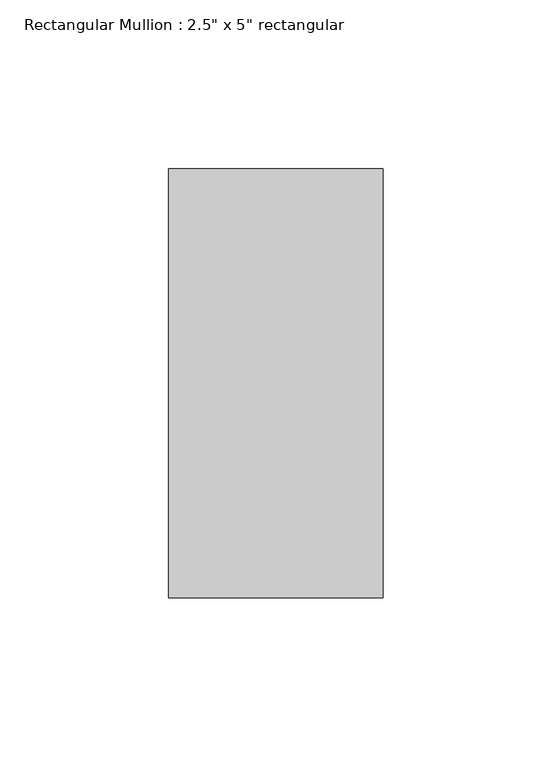
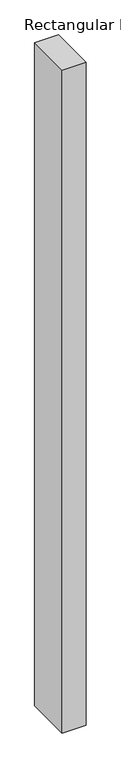
"""IFC4 building model written with IfcOpenShell, lengths in millimetres: member geometry."""

import ifcopenshell
import ifcopenshell.guid

model = None  # the IFC model being written
_history = None  # IfcOwnerHistory: only IFC2X3 demands one
_inside = {}  # id of a spatial element -> (the spatial element, [elements in it])
_under = {}  # id of a project, library or spatial element -> (it, [spatial elements below it])
_declared = {}  # id of a project -> (the project, [libraries it declares])
_typed = {}  # id of a type object -> (the type object, [elements of that type])
_made_of = {}  # id of a material, layer set ... -> (it, [elements and type objects made of it])


def new_model(schema):
    """Start an empty IFC model of exactly this schema.

    Asked for "IFC4X3", IfcOpenShell would pick the latest addendum, in which some entities
    have other attributes; the version numbers below select the first issue.
    IFC2X3 requires an IfcOwnerHistory on every rooted entity: one is made here for all.
    """
    global model, _history
    if schema == "IFC4X3":
        model = ifcopenshell.file(schema_version=(4, 3, 0, 0))
    else:
        model = ifcopenshell.file(schema=schema)
    _inside.clear()
    _under.clear()
    _declared.clear()
    _typed.clear()
    _made_of.clear()
    _history = None
    if model.schema == "IFC2X3":
        org = make("IfcOrganization", Name="unknown")
        user = make(
            "IfcPersonAndOrganization",
            ThePerson=make("IfcPerson", FamilyName="unknown"),
            TheOrganization=org,
        )
        app = make(
            "IfcApplication",
            ApplicationDeveloper=org,
            Version="unknown",
            ApplicationFullName="unknown",
            ApplicationIdentifier="unknown",
        )
        _history = make(
            "IfcOwnerHistory",
            OwningUser=user,
            OwningApplication=app,
            ChangeAction="ADDED",
            CreationDate=0,
        )
    return model


def make(cls, **values):
    """One entity of the class cls with the attributes given. An attribute that is None is left unset."""
    return model.create_entity(
        cls, **{name: value for name, value in values.items() if value is not None}
    )


def rooted(cls, **values):
    """An entity with a GlobalId (a new one), such as an element, a storey or a relation."""
    return make(cls, GlobalId=ifcopenshell.guid.new(), OwnerHistory=_history, **values)


def si_unit(unit_type, name, prefix=None):
    """IfcSIUnit, for example si_unit("LENGTHUNIT", "METRE", prefix="MILLI")."""
    return make("IfcSIUnit", UnitType=unit_type, Prefix=prefix, Name=name)


def assignment(units):
    """IfcUnitAssignment: the units of a project."""
    return None if units is None else make("IfcUnitAssignment", Units=units)


def point(xyz):
    """IfcCartesianPoint."""
    return None if xyz is None else make("IfcCartesianPoint", Coordinates=xyz)


def direction(xyz):
    """IfcDirection."""
    return None if xyz is None else make("IfcDirection", DirectionRatios=xyz)


def frame(location, z_axis=None, x_axis=None):
    """IfcAxis2Placement3D, a coordinate frame: its origin and axes. An axis left out is left unset."""
    return make(
        "IfcAxis2Placement3D",
        Location=point(location),
        Axis=direction(z_axis),
        RefDirection=direction(x_axis),
    )


def origin():
    """The frame at (0, 0, 0) with its axes left unset."""
    return frame((0.0, 0.0, 0.0))


def place(relative_to, where):
    """IfcLocalPlacement: puts the frame where relative to a parent placement (None: the world)."""
    return make(
        "IfcLocalPlacement", PlacementRelTo=relative_to, RelativePlacement=where
    )


def context(
    kind, dimensions, precision=None, world=None, true_north=None, identifier=None
):
    """IfcGeometricRepresentationContext, for example the 3D "Model" context."""
    return make(
        "IfcGeometricRepresentationContext",
        ContextIdentifier=identifier,
        ContextType=kind,
        CoordinateSpaceDimension=dimensions,
        Precision=precision,
        WorldCoordinateSystem=world,
        TrueNorth=true_north,
    )


def project(units=None, contexts=None):
    """IfcProject with its units and contexts."""
    return rooted(
        "IfcProject",
        Name="project",
        RepresentationContexts=contexts,
        UnitsInContext=assignment(units),
    )


def spatial(cls, under=None, at=None, **own):
    """A site, building, storey or space (cls), placed at a placement, below another one or the project."""
    s = rooted(cls, ObjectPlacement=at, **own)
    if under is not None:
        _under.setdefault(under.id(), (under, []))[1].append(s)
    return s


def polyline(points):
    """IfcPolyline through the points."""
    return make("IfcPolyline", Points=[point(p) for p in points])


def outline(outer, holes=None, kind="AREA"):
    """IfcArbitraryClosedProfileDef: a profile drawn as a closed curve; with holes, ...WithVoids."""
    if holes is None:
        return make("IfcArbitraryClosedProfileDef", ProfileType=kind, OuterCurve=outer)
    return make(
        "IfcArbitraryProfileDefWithVoids",
        ProfileType=kind,
        OuterCurve=outer,
        InnerCurves=holes,
    )


def extrude(swept, where, along, depth):
    """IfcExtrudedAreaSolid: the profile swept, set in the frame where, extruded along a direction by depth."""
    return make(
        "IfcExtrudedAreaSolid",
        SweptArea=swept,
        Position=where,
        ExtrudedDirection=direction(along),
        Depth=depth,
    )


def shape(context_of_items, identifier, shape_type, items):
    """IfcShapeRepresentation: the items that make up one representation, for example the "Body"."""
    return make(
        "IfcShapeRepresentation",
        ContextOfItems=context_of_items,
        RepresentationIdentifier=identifier,
        RepresentationType=shape_type,
        Items=items,
    )


def source(mapping_origin, context_of_items, identifier, shape_type, items):
    """IfcRepresentationMap: a shape defined once, which mapped items show again and again."""
    return make(
        "IfcRepresentationMap",
        MappingOrigin=mapping_origin,
        MappedRepresentation=shape(context_of_items, identifier, shape_type, items),
    )


def transform(
    local_origin,
    x_axis=None,
    y_axis=None,
    z_axis=None,
    scale=None,
    scale2=None,
    scale3=None,
    uniform=True,
):
    """IfcCartesianTransformationOperator3D, or its non-uniform kind. x_axis, y_axis, z_axis: its Axis1, 2, 3."""
    if uniform:
        return make(
            "IfcCartesianTransformationOperator3D",
            Axis1=direction(x_axis),
            Axis2=direction(y_axis),
            LocalOrigin=point(local_origin),
            Scale=scale,
            Axis3=direction(z_axis),
        )
    return make(
        "IfcCartesianTransformationOperator3DnonUniform",
        Axis1=direction(x_axis),
        Axis2=direction(y_axis),
        LocalOrigin=point(local_origin),
        Scale=scale,
        Axis3=direction(z_axis),
        Scale2=scale2,
        Scale3=scale3,
    )


def mapped(mapping_source, mapping_target):
    """IfcMappedItem: shows the shape of a source again, moved by a transform."""
    return make(
        "IfcMappedItem", MappingSource=mapping_source, MappingTarget=mapping_target
    )


def made_of(thing, what):
    """Note that an element or type object is made of a material, layer set ...; save() writes the relation."""
    if what is not None:
        _made_of.setdefault(what.id(), (what, []))[1].append(thing)
    return thing


def element(
    cls,
    number,
    at=None,
    inside=None,
    cuts=None,
    type_object=None,
    material=None,
    context=None,
    identifier="Body",
    shape_type=None,
    held_by="IfcProductDefinitionShape",
    body=None,
    shapes=None,
    **own,
):
    """One element of the class cls, such as IfcWall. Its Tag is "e" and its number.

    at: its placement. inside: the storey or other place that contains it. cuts: it is an
    opening in that element (IfcRelVoidsElement). A single representation is given by context,
    identifier, shape_type and body (its items); several are given by shapes. held_by: the class
    of the entity that holds the representations. save() writes the other relations.
    """
    e = rooted(cls, Tag="e%d" % number, ObjectPlacement=at, **own)
    if body is not None:
        shapes = [shape(context, identifier, shape_type, body)]
    if shapes is not None:
        e.Representation = make(held_by, Representations=shapes)
    if inside is not None:
        _inside.setdefault(inside.id(), (inside, []))[1].append(e)
    if cuts is not None:
        rooted(
            "IfcRelVoidsElement", RelatingBuildingElement=cuts, RelatedOpeningElement=e
        )
    if type_object is not None:
        _typed.setdefault(type_object.id(), (type_object, []))[1].append(e)
    return made_of(e, material)


def aggregate(whole, parts):
    """IfcRelAggregates: a whole, such as a stair, and the parts it consists of."""
    return rooted("IfcRelAggregates", RelatingObject=whole, RelatedObjects=parts)


def save(model, path):
    """Write the relations noted so far, then the file.

    IfcRelAggregates (storeys below a building ...), IfcRelContainedInSpatialStructure (elements
    in a storey), IfcRelDefinesByType, IfcRelAssociatesMaterial and IfcRelDeclares: one each for
    every whole, place, type object, material and project.
    """
    for whole, parts in _under.values():
        aggregate(whole, parts)
    for where, things in _inside.values():
        rooted(
            "IfcRelContainedInSpatialStructure",
            RelatedElements=things,
            RelatingStructure=where,
        )
    for kind, things in _typed.values():
        rooted("IfcRelDefinesByType", RelatedObjects=things, RelatingType=kind)
    for what, things in _made_of.values():
        rooted("IfcRelAssociatesMaterial", RelatedObjects=things, RelatingMaterial=what)
    for by, libraries in _declared.values():
        rooted("IfcRelDeclares", RelatingContext=by, RelatedDefinitions=libraries)
    model.write(path)


def member_fda12dd1(model_context):
    return source(origin(), model_context, "Body", "SweptSolid", [
        extrude(outline(polyline([(0.0, 63.5), (0.0, -63.5), (-63.5, -63.5), (-63.5, 63.5), (0.0, 63.5)])), frame((0.0, 0.0, -1866.8999998), z_axis=(0.0, 0.0, 1.0), x_axis=(1.0, 0.0, 0.0)), (0.0, 0.0, 1.0), 1866.8999998),
    ])


if __name__ == "__main__":
    model = new_model("IFC4")
    model_context = context("Model", 3, world=origin())
    ifc_project = project(units=[si_unit("LENGTHUNIT", "METRE", prefix="MILLI")], contexts=[model_context])
    site = spatial("IfcSite", under=ifc_project)
    building = spatial("IfcBuilding", under=site)
    placement = place(None, origin())
    member_shape = member_fda12dd1(model_context)
    element("IfcMember", 1, ObjectType="Rectangular Mullion : 2.5\" x 5\" rectangular", at=placement, inside=building, context=model_context, shape_type="MappedRepresentation", body=[
        mapped(member_shape, transform((0.0, 0.0, 0.0), x_axis=(1.0, 0.0, 0.0), y_axis=(0.0, 1.0, 0.0), z_axis=(0.0, 0.0, 1.0))),
    ])
    save(model, "model.ifc")
